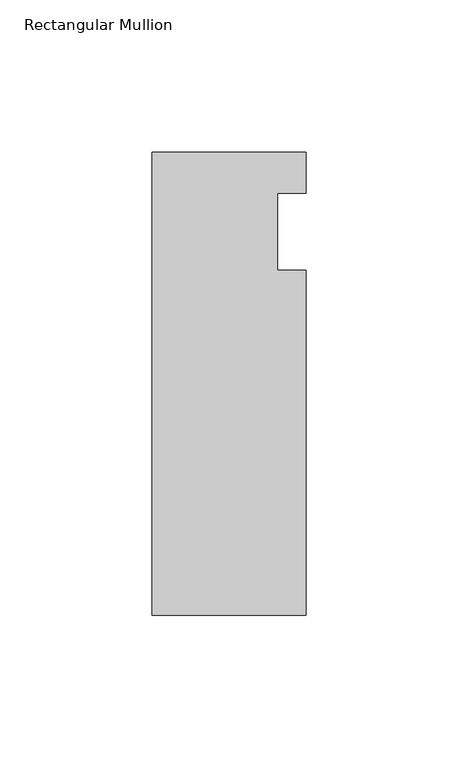
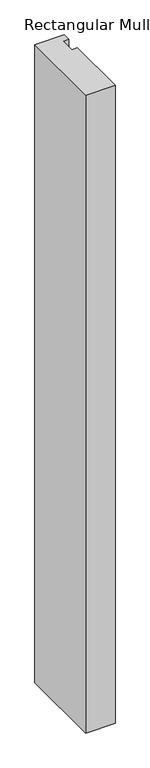
"""IFC4 building model written with IfcOpenShell, lengths in millimetres: member geometry, Rectangular Mullion."""

from ifc_helpers import new_model, si_unit, frame, origin, place, context, project, spatial, polyline, outline, extrude, source, transform, mapped, element, save


def rectangular_mullion_d8e69df1(model_context):
    return source(origin(), model_context, "Body", "SweptSolid", [
        extrude(outline(polyline([(-25.4, 26.19375), (25.4, 26.19375), (25.4, 12.7), (15.875, 12.7), (15.875, -12.7), (25.4, -12.7), (25.4, -126.20625), (-25.4, -126.20625), (-25.4, 26.19375)])), frame((0.0, 0.0, -1168.4), z_axis=(0.0, 0.0, 1.0), x_axis=(1.0, 0.0, 0.0)), (0.0, 0.0, 1.0), 1168.4),
    ])


if __name__ == "__main__":
    model = new_model("IFC4")
    model_context = context("Model", 3, world=origin())
    ifc_project = project(units=[si_unit("LENGTHUNIT", "METRE", prefix="MILLI")], contexts=[model_context])
    site = spatial("IfcSite", under=ifc_project)
    building = spatial("IfcBuilding", under=site)
    placement = place(None, origin())
    rectangular_mullion_shape = rectangular_mullion_d8e69df1(model_context)
    element("IfcMember", 1, ObjectType="Rectangular Mullion", at=placement, inside=building, context=model_context, shape_type="MappedRepresentation", body=[
        mapped(rectangular_mullion_shape, transform((0.0, 0.0, 0.0), x_axis=(1.0, 0.0, 0.0), y_axis=(0.0, 1.0, 0.0), z_axis=(0.0, 0.0, 1.0))),
    ])
    save(model, "model.ifc")
